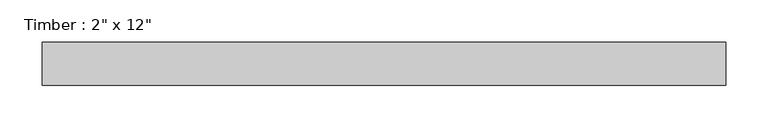
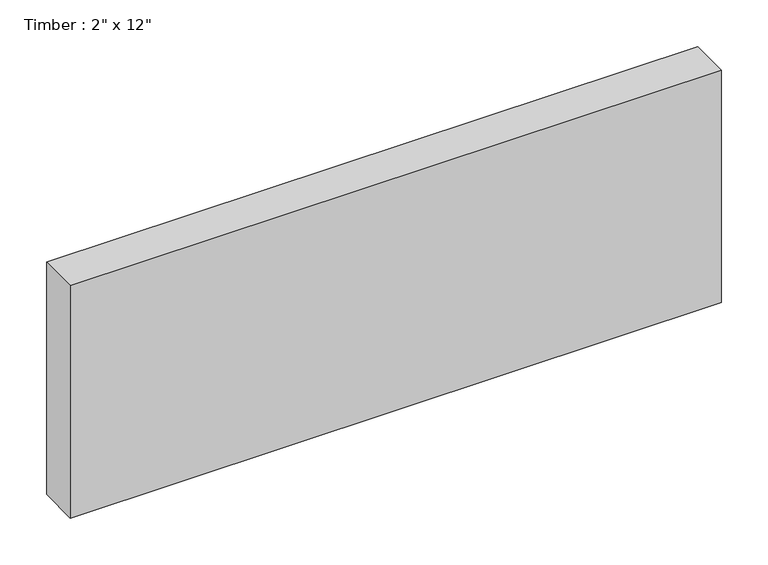
"""IFC4 building model written with IfcOpenShell, lengths in millimetres: beam geometry."""

from ifc_helpers import new_model, si_unit, frame, origin, place, context, project, spatial, polyline, outline, extrude, source, transform, mapped, element, save


def beam_17953581(model_context):
    return source(origin(), model_context, "Body", "SweptSolid", [
        extrude(outline(polyline([(395.940753, 25.4), (395.940753, -25.4), (-410.5243501, -25.4), (-410.5243501, 25.4), (395.940753, 25.4)])), frame((0.0, 0.0, -152.4), z_axis=(0.0, 0.0, 1.0), x_axis=(1.0, 0.0, 0.0)), (0.0, 0.0, 1.0), 304.8),
    ])


if __name__ == "__main__":
    model = new_model("IFC4")
    model_context = context("Model", 3, world=origin())
    ifc_project = project(units=[si_unit("LENGTHUNIT", "METRE", prefix="MILLI")], contexts=[model_context])
    site = spatial("IfcSite", under=ifc_project)
    building = spatial("IfcBuilding", under=site)
    placement = place(None, origin())
    beam_shape = beam_17953581(model_context)
    element("IfcBeam", 1, ObjectType="Timber : 2\" x 12\"", at=placement, inside=building, context=model_context, shape_type="MappedRepresentation", body=[
        mapped(beam_shape, transform((0.0, 0.0, 0.0), x_axis=(1.0, 0.0, 0.0), y_axis=(0.0, 1.0, 0.0), z_axis=(0.0, 0.0, 1.0))),
    ])
    save(model, "model.ifc")
